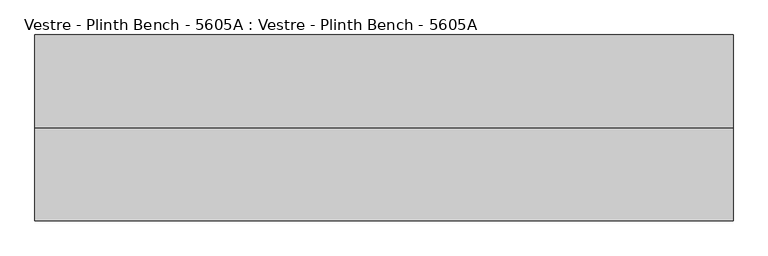
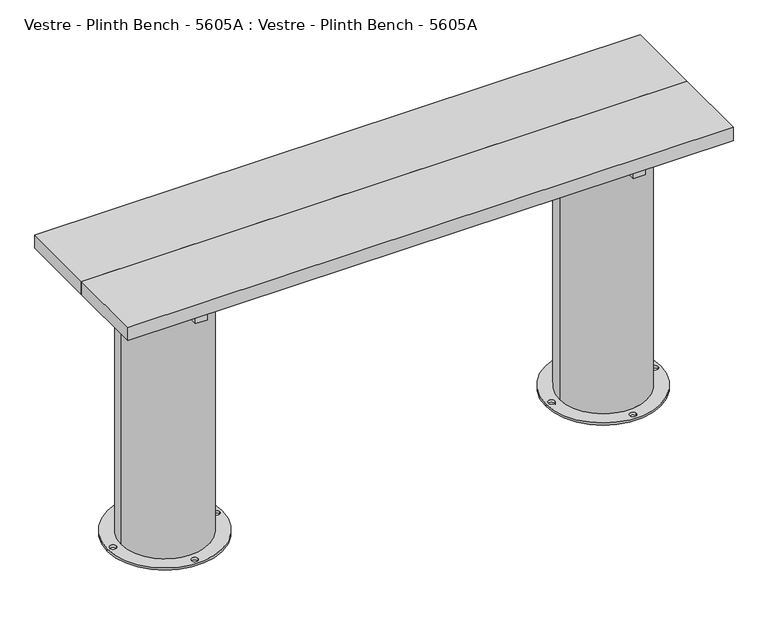
"""IFC4 building model written with IfcOpenShell, lengths in millimetres: furniture geometry, Vestre - Plinth Bench - 5605A : Vestre - Plinth Bench - 5605A."""

from ifc_helpers import new_model, si_unit, frame, origin, place, context, project, spatial, polyline, circle_curve, outline, extrude, source, transform, mapped, element, save
from ifc_brep_helpers import plane_surface, cylinder_surface, revolved_surface, advanced_brep


def vestre_plinth_bench_5605a_vestre_plinth_bench_5605a_f70b4401(model_context):
    return source(origin(), model_context, "Body", "SolidModel", [
        extrude(outline(polyline([(760.0005464, -17.5001515), (760.0005464, -219.9999989), (-760.0005464, -219.9999989), (-760.0005464, -17.5001515), (760.0005464, -17.5001515)])), frame((0.0, 0.0, 704.9999847), z_axis=(0.0, 0.0, 1.0), x_axis=(1.0, 0.0, 0.0)), (0.0, 0.0, 1.0), 35.0000153),
        extrude(outline(polyline([(565.4994536, -378.0001515), (535.4811401, -378.0001515), (535.4811401, -62.0001515), (565.4994536, -62.0001515), (565.4994536, -378.0001515)])), frame((0.0, 0.0, 654.9999847), z_axis=(0.0, 0.0, 1.0), x_axis=(1.0, 0.0, 0.0)), (0.0, 0.0, 1.0), 50.0),
        extrude(outline(polyline([(-535.4811401, -378.0001515), (-565.4994536, -378.0001515), (-565.4994536, -62.0001515), (-535.4811401, -62.0001515), (-535.4811401, -378.0001515)])), frame((0.0, 0.0, 654.9999847), z_axis=(0.0, 0.0, 1.0), x_axis=(1.0, 0.0, 0.0)), (0.0, 0.0, 1.0), 50.0),
        advanced_brep(
        [(-660.0830351, -219.9999989, 654.9999847), (-442.3211565, -237.5001515, 654.9999847), (-538.5005464, -237.5001515, 654.9999847), (-538.5005464, -202.4998463, 654.9999847), (-442.3211565, -202.4998463, 654.9999847), (-695.0290119, -219.9999989, 0.0), (-405.9688024, -219.9999989, 0.0), (-688.5005464, -219.9999989, 0.0), (-672.5005464, -219.9999989, 0.0), (-558.5005464, -90.0001458, 0.0), (-542.5005464, -90.0001458, 0.0), (-412.497268, -219.9999989, 0.0), (-428.497268, -219.9999989, 0.0), (-558.5005464, -349.9998521, 0.0), (-542.5005464, -349.9998521, 0.0), (-660.0830351, -219.9999989, 5.8600001), (-440.9147793, -219.9999989, 5.8600001), (-440.9147793, -219.9999989, 564.9999847), (-442.3211565, -237.5001515, 564.9999847), (-442.3211565, -202.4998463, 564.9999847), (-538.5005464, -237.5001515, 564.9999847), (-538.5005464, -202.4998463, 564.9999847), (-695.0290119, -219.9999989, 5.8600001), (-405.9688024, -219.9999989, 5.8600001), (-688.5005464, -219.9999989, 5.8600001), (-672.5005464, -219.9999989, 5.8600001), (-558.5005464, -90.0001458, 5.8600001), (-542.5005464, -90.0001458, 5.8600001), (-412.497268, -219.9999989, 5.8600001), (-428.497268, -219.9999989, 5.8600001), (-558.5005464, -349.9998521, 5.8600001), (-542.5005464, -349.9998521, 5.8600001)],
        [
            (0, 1, circle_curve(frame((-550.4989072, -219.9999989, 654.9999847), z_axis=(0.0, 0.0, 1.0), x_axis=(1.0, 0.0, 0.0)), 109.5841279)),
            (1, 2),
            (2, 3),
            (3, 4),
            (4, 0, circle_curve(frame((-550.4989072, -219.9999989, 654.9999847), z_axis=(0.0, 0.0, 1.0), x_axis=(1.0, 0.0, 0.0)), 109.5841279)),
            (5, 6, circle_curve(frame((-550.4989072, -219.9999989, 0.0), z_axis=(0.0, 0.0, -1.0), x_axis=(1.0, 0.0, 0.0)), 144.5301047)),
            (6, 5, circle_curve(frame((-550.4989072, -219.9999989, 0.0), z_axis=(0.0, 0.0, -1.0), x_axis=(1.0, 0.0, 0.0)), 144.5301047)),
            (7, 8, circle_curve(frame((-680.5005464, -219.9999989, 0.0), z_axis=(0.0, 0.0, 1.0), x_axis=(1.0, 0.0, 0.0)), 8.0)),
            (8, 7, circle_curve(frame((-680.5005464, -219.9999989, 0.0), z_axis=(0.0, 0.0, 1.0), x_axis=(1.0, 0.0, 0.0)), 8.0)),
            (9, 10, circle_curve(frame((-550.5005464, -90.0001458, 0.0), z_axis=(0.0, 0.0, 1.0), x_axis=(1.0, 0.0, 0.0)), 8.0)),
            (10, 9, circle_curve(frame((-550.5005464, -90.0001458, 0.0), z_axis=(0.0, 0.0, 1.0), x_axis=(1.0, 0.0, 0.0)), 8.0)),
            (11, 12, circle_curve(frame((-420.497268, -219.9999989, 0.0), z_axis=(0.0, 0.0, 1.0), x_axis=(-1.0, 0.0, 0.0)), 8.0)),
            (12, 11, circle_curve(frame((-420.497268, -219.9999989, 0.0), z_axis=(0.0, 0.0, 1.0), x_axis=(-1.0, 0.0, 0.0)), 8.0)),
            (13, 14, circle_curve(frame((-550.5005464, -349.9998521, 0.0), z_axis=(0.0, 0.0, 1.0), x_axis=(1.0, 0.0, 0.0)), 8.0)),
            (14, 13, circle_curve(frame((-550.5005464, -349.9998521, 0.0), z_axis=(0.0, 0.0, 1.0), x_axis=(1.0, 0.0, 0.0)), 8.0)),
            (0, 15),
            (15, 16, circle_curve(frame((-550.4989072, -219.9999989, 5.8600001), z_axis=(0.0, 0.0, 1.0), x_axis=(1.0, 0.0, 0.0)), 109.5841279)),
            (16, 17),
            (17, 18, circle_curve(frame((-550.4989072, -219.9999989, 564.9999847), z_axis=(0.0, 0.0, -1.0), x_axis=(1.0, 0.0, 0.0)), 109.5841279)),
            (18, 1),
            (4, 19),
            (19, 17, circle_curve(frame((-550.4989072, -219.9999989, 564.9999847), z_axis=(0.0, 0.0, -1.0), x_axis=(1.0, 0.0, 0.0)), 109.5841279)),
            (16, 15, circle_curve(frame((-550.4989072, -219.9999989, 5.8600001), z_axis=(0.0, 0.0, 1.0), x_axis=(1.0, 0.0, 0.0)), 109.5841279)),
            (20, 21),
            (21, 3),
            (2, 20),
            (20, 18),
            (19, 21),
            (22, 23, circle_curve(frame((-550.4989072, -219.9999989, 5.8600001), z_axis=(0.0, 0.0, 1.0), x_axis=(1.0, 0.0, 0.0)), 144.5301047)),
            (23, 22, circle_curve(frame((-550.4989072, -219.9999989, 5.8600001), z_axis=(0.0, 0.0, 1.0), x_axis=(1.0, 0.0, 0.0)), 144.5301047)),
            (24, 25, circle_curve(frame((-680.5005464, -219.9999989, 5.8600001), z_axis=(0.0, 0.0, -1.0), x_axis=(1.0, 0.0, 0.0)), 8.0)),
            (25, 24, circle_curve(frame((-680.5005464, -219.9999989, 5.8600001), z_axis=(0.0, 0.0, -1.0), x_axis=(1.0, 0.0, 0.0)), 8.0)),
            (26, 27, circle_curve(frame((-550.5005464, -90.0001458, 5.8600001), z_axis=(0.0, 0.0, -1.0), x_axis=(1.0, 0.0, 0.0)), 8.0)),
            (27, 26, circle_curve(frame((-550.5005464, -90.0001458, 5.8600001), z_axis=(0.0, 0.0, -1.0), x_axis=(1.0, 0.0, 0.0)), 8.0)),
            (28, 29, circle_curve(frame((-420.497268, -219.9999989, 5.8600001), z_axis=(0.0, 0.0, -1.0), x_axis=(-1.0, 0.0, 0.0)), 8.0)),
            (29, 28, circle_curve(frame((-420.497268, -219.9999989, 5.8600001), z_axis=(0.0, 0.0, -1.0), x_axis=(-1.0, 0.0, 0.0)), 8.0)),
            (30, 31, circle_curve(frame((-550.5005464, -349.9998521, 5.8600001), z_axis=(0.0, 0.0, -1.0), x_axis=(1.0, 0.0, 0.0)), 8.0)),
            (31, 30, circle_curve(frame((-550.5005464, -349.9998521, 5.8600001), z_axis=(0.0, 0.0, -1.0), x_axis=(1.0, 0.0, 0.0)), 8.0)),
            (22, 5),
            (6, 23),
            (24, 7),
            (8, 25),
            (26, 9),
            (10, 27),
            (28, 11),
            (12, 29),
            (30, 13),
            (14, 31),
        ],
        [
            plane_surface(frame((-440.9147793, -219.9999989, 654.9999847), z_axis=(0.0, 0.0, 1.0), x_axis=(0.0, 1.0, 0.0))),
            plane_surface(frame((-440.9147793, -219.9999989, 0.0), z_axis=(0.0, 0.0, -1.0), x_axis=(0.0, -1.0, 0.0))),
            cylinder_surface(frame((-550.4989072, -219.9999989, 0.0), z_axis=(0.0, 0.0, 1.0), x_axis=(1.0, 0.0, 0.0)), 109.5841279),
            plane_surface(frame((-538.5005464, -202.4998463, 564.9999847), z_axis=(1.0, 0.0, 0.0), x_axis=(0.0, -1.0, 0.0))),
            plane_surface(frame((-420.0, -237.5001515, 564.9999847), z_axis=(0.0, 0.0, 1.0), x_axis=(-1.0, 0.0, 0.0))),
            plane_surface(frame((-420.0, -202.4998463, 564.9999847), z_axis=(0.0, -1.0, 0.0), x_axis=(-1.0, 0.0, 0.0))),
            plane_surface(frame((-420.0, -237.5001515, 654.9999847), z_axis=(0.0, 1.0, 0.0), x_axis=(-1.0, 0.0, 0.0))),
            plane_surface(frame((-405.9688024, -219.9999989, 5.8600001), z_axis=(0.0, 0.0, 1.0), x_axis=(0.0, 1.0, 0.0))),
            cylinder_surface(frame((-550.4989072, -219.9999989, 0.0), z_axis=(0.0, 0.0, 1.0), x_axis=(1.0, 0.0, 0.0)), 144.5301047),
            revolved_surface(polyline([(-672.5005464, -219.9999989, 0.0), (-672.5005464, -219.9999989, 5.8600001)]), (-680.5005464, -219.9999989, 0.0), (0.0, 0.0, -1.0)),
            revolved_surface(polyline([(-542.5005464, -90.0001458, 0.0), (-542.5005464, -90.0001458, 5.8600001)]), (-550.5005464, -90.0001458, 0.0), (0.0, 0.0, -1.0)),
            revolved_surface(polyline([(-428.497268, -219.9999989, 0.0), (-428.497268, -219.9999989, 5.8600001)]), (-420.497268, -219.9999989, 0.0), (0.0, 0.0, -1.0)),
            revolved_surface(polyline([(-542.5005464, -349.9998521, 0.0), (-542.5005464, -349.9998521, 5.8600001)]), (-550.5005464, -349.9998521, 0.0), (0.0, 0.0, -1.0)),
        ],
        [
            (0, [[1, 2, 3, 4, 5]]),
            (1, [[6, 7], [8, 9], [10, 11], [12, 13], [14, 15]]),
            (2, [[-1, 16, 17, 18, 19, 20]]),
            (2, [[-5, 21, 22, -18, 23, -16]]),
            (3, [[24, 25, -3, 26]]),
            (4, [[-24, 27, -19, -22, 28]]),
            (5, [[-25, -28, -21, -4]]),
            (6, [[-26, -2, -20, -27]]),
            (7, [[29, 30], [-17, -23], [31, 32], [33, 34], [35, 36], [37, 38]]),
            (8, [[-29, 39, -7, 40]]),
            (8, [[-30, -40, -6, -39]]),
            (9, [[-31, 41, -9, 42]]),
            (9, [[-32, -42, -8, -41]]),
            (10, [[-33, 43, -11, 44]]),
            (10, [[-34, -44, -10, -43]]),
            (11, [[-35, 45, -13, 46]]),
            (11, [[-36, -46, -12, -45]]),
            (12, [[-37, 47, -15, 48]]),
            (12, [[-38, -48, -14, -47]]),
        ],
    ),
        advanced_brep(
        [(695.0290119, -219.9999989, 0.0), (405.9688024, -219.9999989, 0.0), (688.5005464, -219.9999989, 0.0), (672.5005464, -219.9999989, 0.0), (558.5005464, -90.0001458, 0.0), (542.5005464, -90.0001458, 0.0), (412.497268, -219.9999989, 0.0), (428.497268, -219.9999989, 0.0), (558.5005464, -349.9998521, 0.0), (542.5005464, -349.9998521, 0.0), (695.0290119, -219.9999989, 5.8600001), (405.9688024, -219.9999989, 5.8600001), (688.5005464, -219.9999989, 5.8600001), (672.5005464, -219.9999989, 5.8600001), (558.5005464, -90.0001458, 5.8600001), (542.5005464, -90.0001458, 5.8600001), (412.497268, -219.9999989, 5.8600001), (428.497268, -219.9999989, 5.8600001), (558.5005464, -349.9998521, 5.8600001), (542.5005464, -349.9998521, 5.8600001), (660.0830351, -219.9999989, 5.8600001), (440.9147793, -219.9999989, 5.8600001), (538.5005464, -237.5001515, 564.9999847), (538.5005464, -237.5001515, 654.9999847), (538.5005464, -202.4998463, 654.9999847), (538.5005464, -202.4998463, 564.9999847), (442.3211565, -202.4998463, 564.9999847), (440.9147793, -219.9999989, 564.9999847), (442.3211565, -237.5001515, 564.9999847), (442.3211565, -202.4998463, 654.9999847), (442.3211565, -237.5001515, 654.9999847), (660.0830351, -219.9999989, 654.9999847)],
        [
            (0, 1, circle_curve(frame((550.4989072, -219.9999989, 0.0), z_axis=(0.0, 0.0, -1.0), x_axis=(-1.0, 0.0, 0.0)), 144.5301047)),
            (1, 0, circle_curve(frame((550.4989072, -219.9999989, 0.0), z_axis=(0.0, 0.0, -1.0), x_axis=(-1.0, 0.0, 0.0)), 144.5301047)),
            (2, 3, circle_curve(frame((680.5005464, -219.9999989, 0.0), z_axis=(0.0, 0.0, 1.0), x_axis=(-1.0, 0.0, 0.0)), 8.0)),
            (3, 2, circle_curve(frame((680.5005464, -219.9999989, 0.0), z_axis=(0.0, 0.0, 1.0), x_axis=(-1.0, 0.0, 0.0)), 8.0)),
            (4, 5, circle_curve(frame((550.5005464, -90.0001458, 0.0), z_axis=(0.0, 0.0, 1.0), x_axis=(-1.0, 0.0, 0.0)), 8.0)),
            (5, 4, circle_curve(frame((550.5005464, -90.0001458, 0.0), z_axis=(0.0, 0.0, 1.0), x_axis=(-1.0, 0.0, 0.0)), 8.0)),
            (6, 7, circle_curve(frame((420.497268, -219.9999989, 0.0), z_axis=(0.0, 0.0, 1.0), x_axis=(1.0, 0.0, 0.0)), 8.0)),
            (7, 6, circle_curve(frame((420.497268, -219.9999989, 0.0), z_axis=(0.0, 0.0, 1.0), x_axis=(1.0, 0.0, 0.0)), 8.0)),
            (8, 9, circle_curve(frame((550.5005464, -349.9998521, 0.0), z_axis=(0.0, 0.0, 1.0), x_axis=(-1.0, 0.0, 0.0)), 8.0)),
            (9, 8, circle_curve(frame((550.5005464, -349.9998521, 0.0), z_axis=(0.0, 0.0, 1.0), x_axis=(-1.0, 0.0, 0.0)), 8.0)),
            (10, 11, circle_curve(frame((550.4989072, -219.9999989, 5.8600001), z_axis=(0.0, 0.0, 1.0), x_axis=(-1.0, 0.0, 0.0)), 144.5301047)),
            (11, 10, circle_curve(frame((550.4989072, -219.9999989, 5.8600001), z_axis=(0.0, 0.0, 1.0), x_axis=(-1.0, 0.0, 0.0)), 144.5301047)),
            (12, 13, circle_curve(frame((680.5005464, -219.9999989, 5.8600001), z_axis=(0.0, 0.0, -1.0), x_axis=(-1.0, 0.0, 0.0)), 8.0)),
            (13, 12, circle_curve(frame((680.5005464, -219.9999989, 5.8600001), z_axis=(0.0, 0.0, -1.0), x_axis=(-1.0, 0.0, 0.0)), 8.0)),
            (14, 15, circle_curve(frame((550.5005464, -90.0001458, 5.8600001), z_axis=(0.0, 0.0, -1.0), x_axis=(-1.0, 0.0, 0.0)), 8.0)),
            (15, 14, circle_curve(frame((550.5005464, -90.0001458, 5.8600001), z_axis=(0.0, 0.0, -1.0), x_axis=(-1.0, 0.0, 0.0)), 8.0)),
            (16, 17, circle_curve(frame((420.497268, -219.9999989, 5.8600001), z_axis=(0.0, 0.0, -1.0), x_axis=(1.0, 0.0, 0.0)), 8.0)),
            (17, 16, circle_curve(frame((420.497268, -219.9999989, 5.8600001), z_axis=(0.0, 0.0, -1.0), x_axis=(1.0, 0.0, 0.0)), 8.0)),
            (18, 19, circle_curve(frame((550.5005464, -349.9998521, 5.8600001), z_axis=(0.0, 0.0, -1.0), x_axis=(-1.0, 0.0, 0.0)), 8.0)),
            (19, 18, circle_curve(frame((550.5005464, -349.9998521, 5.8600001), z_axis=(0.0, 0.0, -1.0), x_axis=(-1.0, 0.0, 0.0)), 8.0)),
            (20, 21, circle_curve(frame((550.4989072, -219.9999989, 5.8600001), z_axis=(0.0, 0.0, -1.0), x_axis=(-1.0, 0.0, 0.0)), 109.5841279)),
            (21, 20, circle_curve(frame((550.4989072, -219.9999989, 5.8600001), z_axis=(0.0, 0.0, -1.0), x_axis=(-1.0, 0.0, 0.0)), 109.5841279)),
            (10, 0),
            (1, 11),
            (12, 2),
            (3, 13),
            (14, 4),
            (5, 15),
            (16, 6),
            (7, 17),
            (18, 8),
            (9, 19),
            (22, 23),
            (23, 24),
            (24, 25),
            (25, 22),
            (25, 26),
            (26, 27, circle_curve(frame((550.4989072, -219.9999989, 564.9999847), z_axis=(0.0, 0.0, 1.0), x_axis=(-1.0, 0.0, 0.0)), 109.5841279)),
            (27, 28, circle_curve(frame((550.4989072, -219.9999989, 564.9999847), z_axis=(0.0, 0.0, 1.0), x_axis=(-1.0, 0.0, 0.0)), 109.5841279)),
            (28, 22),
            (24, 29),
            (29, 26),
            (28, 30),
            (30, 23),
            (31, 29, circle_curve(frame((550.4989072, -219.9999989, 654.9999847), z_axis=(0.0, 0.0, 1.0), x_axis=(-1.0, 0.0, 0.0)), 109.5841279)),
            (30, 31, circle_curve(frame((550.4989072, -219.9999989, 654.9999847), z_axis=(0.0, 0.0, 1.0), x_axis=(-1.0, 0.0, 0.0)), 109.5841279)),
            (27, 21),
            (20, 31),
        ],
        [
            plane_surface(frame((-440.9147793, -219.9999989, 0.0), z_axis=(0.0, 0.0, -1.0), x_axis=(0.0, -1.0, 0.0))),
            plane_surface(frame((-405.9688024, -219.9999989, 5.8600001), z_axis=(0.0, 0.0, 1.0), x_axis=(0.0, 1.0, 0.0))),
            cylinder_surface(frame((550.4989072, -219.9999989, 0.0), z_axis=(0.0, 0.0, 1.0), x_axis=(-1.0, 0.0, 0.0)), 144.5301047),
            revolved_surface(polyline([(672.5005464, -219.9999989, 0.0), (672.5005464, -219.9999989, 5.8600001)]), (680.5005464, -219.9999989, 0.0), (0.0, 0.0, -1.0)),
            revolved_surface(polyline([(542.5005464, -90.0001458, 0.0), (542.5005464, -90.0001458, 5.8600001)]), (550.5005464, -90.0001458, 0.0), (0.0, 0.0, -1.0)),
            revolved_surface(polyline([(428.497268, -219.9999989, 0.0), (428.497268, -219.9999989, 5.8600001)]), (420.497268, -219.9999989, 0.0), (0.0, 0.0, -1.0)),
            revolved_surface(polyline([(542.5005464, -349.9998521, 0.0), (542.5005464, -349.9998521, 5.8600001)]), (550.5005464, -349.9998521, 0.0), (0.0, 0.0, -1.0)),
            plane_surface(frame((538.5005464, -237.5001515, 564.9999847), z_axis=(-1.0, 0.0, 0.0), x_axis=(0.0, 0.0, -1.0))),
            plane_surface(frame((420.0, -202.4998463, 564.9999847), z_axis=(0.0, 0.0, 1.0), x_axis=(1.0, 0.0, 0.0))),
            plane_surface(frame((420.0, -202.4998463, 654.9999847), z_axis=(0.0, -1.0, 0.0), x_axis=(1.0, 0.0, 0.0))),
            plane_surface(frame((420.0, -237.5001515, 564.9999847), z_axis=(0.0, 1.0, 0.0), x_axis=(1.0, 0.0, 0.0))),
            plane_surface(frame((440.9147793, -219.9999989, 654.9999847), z_axis=(0.0, 0.0, 1.0), x_axis=(0.0, -1.0, 0.0))),
            cylinder_surface(frame((550.4989072, -219.9999989, 0.0), z_axis=(0.0, 0.0, 1.0), x_axis=(-1.0, 0.0, 0.0)), 109.5841279),
        ],
        [
            (0, [[1, 2], [3, 4], [5, 6], [7, 8], [9, 10]]),
            (1, [[11, 12], [13, 14], [15, 16], [17, 18], [19, 20], [21, 22]]),
            (2, [[-11, 23, -2, 24]]),
            (2, [[-12, -24, -1, -23]]),
            (3, [[-13, 25, -4, 26]]),
            (3, [[-14, -26, -3, -25]]),
            (4, [[-15, 27, -6, 28]]),
            (4, [[-16, -28, -5, -27]]),
            (5, [[-17, 29, -8, 30]]),
            (5, [[-18, -30, -7, -29]]),
            (6, [[-19, 31, -10, 32]]),
            (6, [[-20, -32, -9, -31]]),
            (7, [[33, 34, 35, 36]]),
            (8, [[-36, 37, 38, 39, 40]]),
            (9, [[-35, 41, 42, -37]]),
            (10, [[-33, -40, 43, 44]]),
            (11, [[45, -41, -34, -44, 46]]),
            (12, [[-46, -43, -39, 47, -21, 48]]),
            (12, [[-45, -48, -22, -47, -38, -42]]),
        ],
    ),
        extrude(outline(polyline([(538.5005464, -202.4998463), (538.5005464, -237.5001515), (-538.5005464, -237.5001515), (-538.5005464, -202.4998463), (538.5005464, -202.4998463)])), frame((0.0, 0.0, 564.9999847), z_axis=(0.0, 0.0, 1.0), x_axis=(1.0, 0.0, 0.0)), (0.0, 0.0, 1.0), 90.0),
        extrude(outline(polyline([(760.0005464, -219.9999989), (760.0005464, -422.4998463), (-760.0005464, -422.4998463), (-760.0005464, -219.9999989), (760.0005464, -219.9999989)])), frame((0.0, 0.0, 704.9999847), z_axis=(0.0, 0.0, 1.0), x_axis=(1.0, 0.0, 0.0)), (0.0, 0.0, 1.0), 35.0000153),
    ])


if __name__ == "__main__":
    model = new_model("IFC4")
    model_context = context("Model", 3, world=origin())
    ifc_project = project(units=[si_unit("LENGTHUNIT", "METRE", prefix="MILLI")], contexts=[model_context])
    site = spatial("IfcSite", under=ifc_project)
    building = spatial("IfcBuilding", under=site)
    placement = place(None, origin())
    vestre_plinth_bench_5605a_vestre_plinth_bench_5605a_shape = vestre_plinth_bench_5605a_vestre_plinth_bench_5605a_f70b4401(model_context)
    element("IfcFurniture", 1, ObjectType="Vestre - Plinth Bench - 5605A : Vestre - Plinth Bench - 5605A", at=placement, inside=building, context=model_context, shape_type="MappedRepresentation", body=[
        mapped(vestre_plinth_bench_5605a_vestre_plinth_bench_5605a_shape, transform((0.0, 0.0, 0.0), x_axis=(1.0, 0.0, 0.0), y_axis=(0.0, 1.0, 0.0), z_axis=(0.0, 0.0, 1.0))),
    ])
    save(model, "model.ifc")
